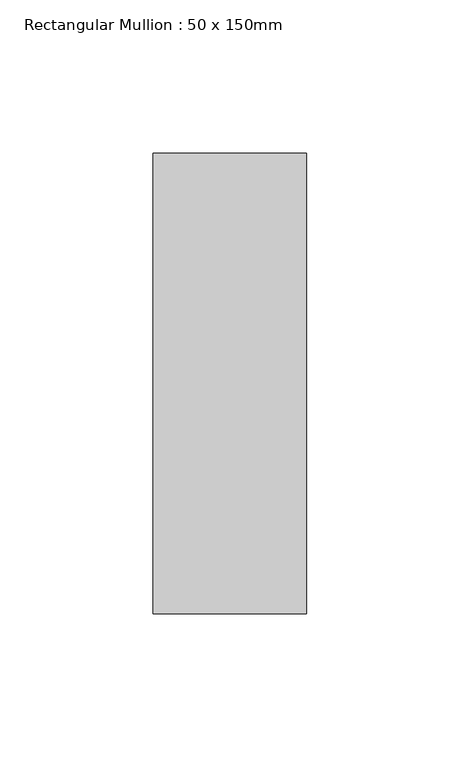
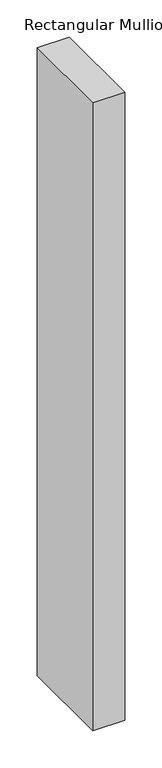
"""IFC4 building model written with IfcOpenShell, lengths in millimetres: member geometry, Rectangular Mullion : 50 x 150mm."""

from ifc_helpers import new_model, si_unit, frame, origin, place, context, project, spatial, polyline, outline, extrude, source, transform, mapped, element, save


def rectangular_mullion_50_x_150mm_db2bf41d(model_context):
    return source(origin(), model_context, "Body", "SweptSolid", [
        extrude(outline(polyline([(0.0, 75.0), (0.0, -75.0), (-50.0, -75.0), (-50.0, 75.0), (0.0, 75.0)])), frame((0.0, 0.0, -1035.85), z_axis=(0.0, 0.0, 1.0), x_axis=(1.0, 0.0, 0.0)), (0.0, 0.0, 1.0), 1035.85),
    ])


if __name__ == "__main__":
    model = new_model("IFC4")
    model_context = context("Model", 3, world=origin())
    ifc_project = project(units=[si_unit("LENGTHUNIT", "METRE", prefix="MILLI")], contexts=[model_context])
    site = spatial("IfcSite", under=ifc_project)
    building = spatial("IfcBuilding", under=site)
    placement = place(None, origin())
    rectangular_mullion_50_x_150mm_shape = rectangular_mullion_50_x_150mm_db2bf41d(model_context)
    element("IfcMember", 1, ObjectType="Rectangular Mullion : 50 x 150mm", at=placement, inside=building, context=model_context, shape_type="MappedRepresentation", body=[
        mapped(rectangular_mullion_50_x_150mm_shape, transform((0.0, 0.0, 0.0), x_axis=(1.0, 0.0, 0.0), y_axis=(0.0, 1.0, 0.0), z_axis=(0.0, 0.0, 1.0))),
    ])
    save(model, "model.ifc")
